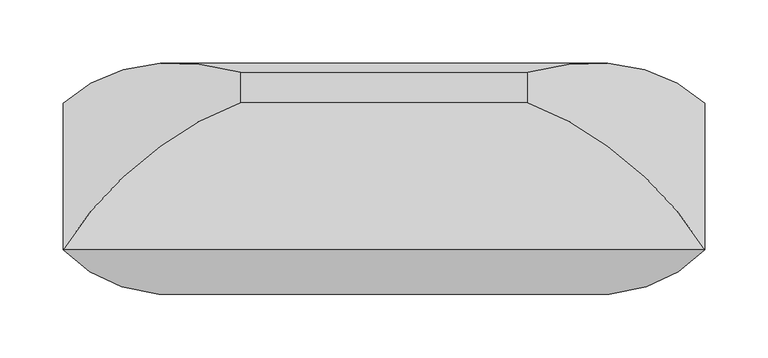
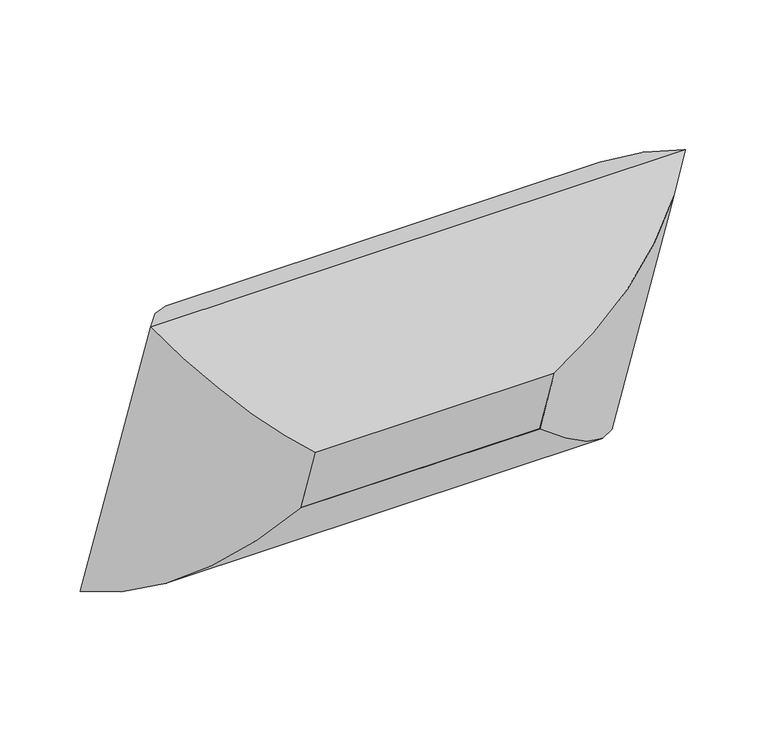
"""IFC4 building model written with IfcOpenShell, lengths in millimetres: furniture geometry."""

from ifc_helpers import new_model, si_unit, frame, origin, place, context, project, spatial, polyline, ellipse_curve, outline, extrude, source, transform, mapped, element, save
from ifc_brep_helpers import plane_surface, cylinder_surface, advanced_brep


def furniture_29daeb61(model_context):
    return source(origin(), model_context, "Body", "SolidModel", [
        advanced_brep(
        [(-113.50625, -143.5545135, 609.5264421), (-253.6741804, -115.5598827, 767.4102685), (-253.6741804, 0.0, 431.8), (-113.50625, -119.2630596, 538.9789373), (-113.50625, 0.5425174, 659.1430288), (-113.50625, 24.8339713, 588.5955241), (253.6741804, 0.0, 431.8), (113.50625, -119.2630596, 538.9789373), (113.50625, 24.8339713, 588.5955241), (253.6741804, -115.5598827, 767.4102685), (113.50625, -143.5545135, 609.5264421), (113.50625, 0.5425174, 659.1430288)],
        [
            (0, 1, ellipse_curve(frame((-108.726504, 22.2285767, 661.5549796), z_axis=(-0.7071067811865476, 0.2302114497550404, -0.6685825965441237), x_axis=(-0.7071067811865474, -0.23021144975504043, 0.6685825965441238)), 245.7274984, 173.7555804)),
            (1, 2),
            (2, 3, ellipse_curve(frame((-108.726504, 43.4077645, 600.0461521), z_axis=(-0.7071067811865476, -0.2302114497550404, 0.6685825965441237), x_axis=(0.7071067811865475, -0.23021144975504043, 0.6685825965441238)), 245.7274984, 173.7555804)),
            (3, 0),
            (4, 0),
            (3, 5),
            (5, 4),
            (1, 4, ellipse_curve(frame((-104.3179464, -172.6670045, 589.7844676), z_axis=(-0.7071067811865476, 0.2302114497550404, -0.6685825965441237), x_axis=(-0.7071067811865474, -0.23021144975504043, 0.6685825965441238)), 263.8641638, 186.5801395)),
            (5, 2, ellipse_curve(frame((-104.3179464, -154.3583886, 536.6123863), z_axis=(-0.7071067811865476, -0.2302114497550404, 0.6685825965441237), x_axis=(0.7071067811865475, -0.23021144975504043, 0.6685825965441238)), 263.8641638, 186.5801395)),
            (2, 6),
            (6, 7, ellipse_curve(frame((108.726504, 43.4077645, 600.0461521), z_axis=(-0.7071067811865475, 0.23021144975504035, -0.6685825965441237), x_axis=(-0.7071067811865476, -0.23021144975504032, 0.6685825965441236)), 245.7274984, 173.7555804)),
            (7, 3),
            (7, 8),
            (8, 5),
            (8, 6, ellipse_curve(frame((104.3179464, -154.3583886, 536.6123863), z_axis=(-0.7071067811865475, 0.23021144975504035, -0.6685825965441237), x_axis=(-0.7071067811865476, -0.23021144975504032, 0.6685825965441236)), 263.8641638, 186.5801395)),
            (6, 9),
            (9, 10, ellipse_curve(frame((108.726504, 22.2285767, 661.5549796), z_axis=(0.7071067811865474, 0.2302114497550404, -0.6685825965441238), x_axis=(-0.7071067811865475, 0.23021144975504035, -0.6685825965441237)), 245.7274984, 173.7555804)),
            (10, 7),
            (10, 11),
            (11, 8),
            (11, 9, ellipse_curve(frame((104.3179464, -172.6670045, 589.7844676), z_axis=(0.7071067811865474, 0.2302114497550404, -0.6685825965441238), x_axis=(-0.7071067811865475, 0.23021144975504035, -0.6685825965441237)), 263.8641638, 186.5801395)),
            (9, 1),
            (0, 10),
            (4, 11),
        ],
        [
            cylinder_surface(frame((-108.726504, 20.6724436, 666.0743182), z_axis=(0.0, -0.3255681544571505, 0.945518575599319), x_axis=(0.0, -0.945518575599319, -0.3255681544571505)), 173.7555804),
            plane_surface(frame((-113.50625, -143.5545135, 609.5264421), z_axis=(1.0, 0.0, 0.0), x_axis=(0.0, 0.32556815445715015, -0.9455185755993191))),
            cylinder_surface(frame((-104.3179464, -175.6584235, 598.4721794), z_axis=(0.0, -0.3255681544571505, 0.945518575599319), x_axis=(0.0, -0.945518575599319, -0.3255681544571505)), 186.5801395),
            cylinder_surface(frame((-113.50625, 43.4077645, 600.0461521), z_axis=(-1.0000000000000002, 0.0, 0.0), x_axis=(0.0, -0.945518575599319, -0.3255681544571507)), 173.7555804),
            plane_surface(frame((-113.50625, -119.2630596, 538.9789373), z_axis=(0.0, -0.325568154457151, 0.945518575599319), x_axis=(1.0, 0.0, 0.0))),
            cylinder_surface(frame((-113.50625, -154.3583886, 536.6123863), z_axis=(-1.0000000000000002, 0.0, 0.0), x_axis=(0.0, -0.945518575599319, -0.3255681544571507)), 186.5801395),
            cylinder_surface(frame((108.726504, 44.9638976, 595.5268135), z_axis=(0.0, 0.3255681544571504, -0.945518575599319), x_axis=(0.0, -0.945518575599319, -0.3255681544571504)), 173.7555804),
            plane_surface(frame((113.50625, -119.2630596, 538.9789373), z_axis=(-1.0, 0.0, 0.0), x_axis=(0.0, -0.32556815445715054, 0.945518575599319))),
            cylinder_surface(frame((104.3179464, -151.3669696, 527.9246746), z_axis=(0.0, 0.3255681544571504, -0.945518575599319), x_axis=(0.0, -0.945518575599319, -0.3255681544571504)), 186.5801395),
            cylinder_surface(frame((113.50625, 22.2285767, 661.5549796), z_axis=(1.0, 0.0, 0.0), x_axis=(0.0, -0.9455185755993191, -0.3255681544571502)), 173.7555804),
            plane_surface(frame((113.50625, -143.5545135, 609.5264421), z_axis=(0.0, 0.32556815445715, -0.9455185755993192), x_axis=(-1.0, 0.0, 0.0))),
            cylinder_surface(frame((113.50625, -172.6670045, 589.7844676), z_axis=(1.0, 0.0, 0.0), x_axis=(0.0, -0.9455185755993191, -0.3255681544571502)), 186.5801395),
        ],
        [
            (0, [[1, 2, 3, 4]]),
            (1, [[5, -4, 6, 7]]),
            (2, [[8, -7, 9, -2]]),
            (3, [[-3, 10, 11, 12]]),
            (4, [[-6, -12, 13, 14]]),
            (5, [[-9, -14, 15, -10]]),
            (6, [[-11, 16, 17, 18]]),
            (7, [[-13, -18, 19, 20]]),
            (8, [[-15, -20, 21, -16]]),
            (9, [[-17, 22, -1, 23]]),
            (10, [[-19, -23, -5, 24]]),
            (11, [[-21, -24, -8, -22]]),
        ],
    ),
        extrude(outline(polyline([(0.0, -227.0125), (0.0, 0.0), (152.4, 0.0), (152.4, -227.0125), (0.0, -227.0125)])), frame((-113.50625, -119.2630596, 538.9789373), z_axis=(0.0, -0.32556815445715037, 0.9455185755993191), x_axis=(0.0, 0.9455185755993191, 0.32556815445715037)), (0.0, 0.0, 1.0), 74.6125),
    ])


if __name__ == "__main__":
    model = new_model("IFC4")
    model_context = context("Model", 3, world=origin())
    ifc_project = project(units=[si_unit("LENGTHUNIT", "METRE", prefix="MILLI")], contexts=[model_context])
    site = spatial("IfcSite", under=ifc_project)
    building = spatial("IfcBuilding", under=site)
    placement = place(None, origin())
    furniture_shape = furniture_29daeb61(model_context)
    element("IfcFurniture", 1, at=placement, inside=building, context=model_context, shape_type="MappedRepresentation", body=[
        mapped(furniture_shape, transform((0.0, 0.0, 0.0), x_axis=(1.0, 0.0, 0.0), y_axis=(0.0, 1.0, 0.0), z_axis=(0.0, 0.0, 1.0))),
    ])
    save(model, "model.ifc")
